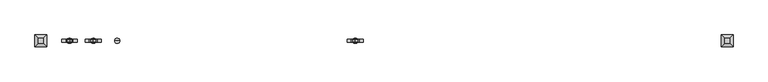
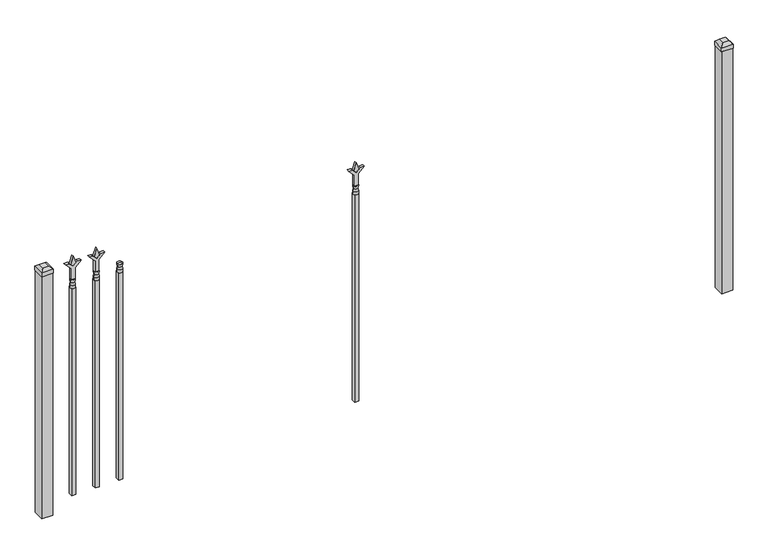
"""IFC4 building model written with IfcOpenShell, lengths in millimetres: railing geometry."""

from ifc_helpers import new_model, si_unit, frame, origin, origin_with_axes, place, context, project, spatial, polyline, circle_curve, outline, extrude, faceted_brep, source, transform, mapped, element, save
from ifc_brep_helpers import plane_surface, cylinder_surface, revolved_surface, advanced_brep


def railing_28ed9d92(model_context):
    return source(origin(), model_context, "Body", "SolidModel", [
        advanced_brep(
        [(-79271.1035036, -6731.2570174, 1079.5), (-79294.9160036, -6731.2570174, 1079.5), (-79294.9160036, -6731.2570174, 1066.8), (-79271.1035036, -6731.2570174, 1066.8), (-79273.3088355, -6731.2570174, 1092.0070585), (-79292.7106718, -6731.2570174, 1092.0070585), (-79271.1035036, -6731.2570174, 1108.075), (-79294.9160036, -6731.2570174, 1108.075), (-79283.0097536, -6731.2570174, 1108.075), (-79283.0097536, -6731.2570174, 1066.8)],
        [
            (0, 1, circle_curve(frame((-79283.0097536, -6731.2570174, 1079.5), z_axis=(0.0, 0.0, -1.0), x_axis=(-1.0, 0.0, 0.0)), 11.90625)),
            (1, 2),
            (2, 3, circle_curve(frame((-79283.0097536, -6731.2570174, 1066.8), z_axis=(0.0, 0.0, 1.0), x_axis=(-1.0, 0.0, 0.0)), 11.90625)),
            (3, 0),
            (1, 0, circle_curve(frame((-79283.0097536, -6731.2570174, 1079.5), z_axis=(0.0, 0.0, -1.0), x_axis=(-1.0, 0.0, 0.0)), 11.90625)),
            (3, 2, circle_curve(frame((-79283.0097536, -6731.2570174, 1066.8), z_axis=(0.0, 0.0, 1.0), x_axis=(-1.0, 0.0, 0.0)), 11.90625)),
            (4, 5, circle_curve(frame((-79283.0097536, -6731.2570174, 1092.0070585), z_axis=(0.0, 0.0, -1.0), x_axis=(-1.0, 0.0, 0.0)), 9.7009181)),
            (5, 1),
            (0, 4),
            (5, 4, circle_curve(frame((-79283.0097536, -6731.2570174, 1092.0070585), z_axis=(0.0, 0.0, -1.0), x_axis=(-1.0, 0.0, 0.0)), 9.7009181)),
            (6, 7, circle_curve(frame((-79283.0097536, -6731.2570174, 1108.075), z_axis=(0.0, 0.0, -1.0), x_axis=(-1.0, 0.0, 0.0)), 11.90625)),
            (7, 5),
            (4, 6),
            (7, 6, circle_curve(frame((-79283.0097536, -6731.2570174, 1108.075), z_axis=(0.0, 0.0, -1.0), x_axis=(-1.0, 0.0, 0.0)), 11.90625)),
            (8, 7),
            (6, 8),
            (2, 9),
            (9, 3),
        ],
        [
            cylinder_surface(frame((-79283.0097536, -6731.2570174, 1066.8), z_axis=(0.0, 0.0, 1.0), x_axis=(-1.0, 0.0, 0.0)), 11.90625),
            revolved_surface(polyline([(-79294.9160036, -6731.2570174, 1079.5), (-79292.7106718, -6731.2570174, 1092.0070585)]), (-79283.0097536, -6731.2570174, 1066.8), (0.0, 0.0, 1.0)),
            revolved_surface(polyline([(-79292.7106718, -6731.2570174, 1092.0070585), (-79294.9160036, -6731.2570174, 1108.075)]), (-79283.0097536, -6731.2570174, 1066.8), (0.0, 0.0, 1.0)),
            plane_surface(frame((-79283.0097536, -6731.2570174, 1108.075), z_axis=(0.0, 0.0, 1.0), x_axis=(-1.0, 0.0, 0.0))),
            plane_surface(frame((-79283.0097536, -6731.2570174, 1066.8), z_axis=(0.0, 0.0, -1.0), x_axis=(-1.0, 0.0, 0.0))),
        ],
        [
            (0, [[1, 2, 3, 4]]),
            (0, [[5, -4, 6, -2]]),
            (1, [[7, 8, -1, 9]]),
            (1, [[10, -9, -5, -8]]),
            (2, [[11, 12, -7, 13]]),
            (2, [[14, -13, -10, -12]]),
            (3, [[15, -11, 16]]),
            (3, [[-16, -14, -15]]),
            (4, [[-3, 17, 18]]),
            (4, [[-6, -18, -17]]),
        ],
    ),
        extrude(outline(polyline([(-79292.5347536, -6721.7320174), (-79273.4847536, -6721.7320174), (-79273.4847536, -6740.7820174), (-79292.5347536, -6740.7820174), (-79292.5347536, -6721.7320174)])), frame((0.0, 0.0, 50.8), z_axis=(0.0, 0.0, 1.0), x_axis=(1.0, 0.0, 0.0)), (0.0, 0.0, 1.0), 1016.0),
        extrude(outline(polyline([(1183.48125, -79380.3764203), (1219.2, -79392.2826703), (1183.48125, -79404.1889203), (1171.575, -79392.2826703), (1183.48125, -79380.3764203)])), frame((0.0, -6736.0195174, 0.0), z_axis=(0.0, 1.0, 0.0), x_axis=(0.0, 0.0, 1.0)), (0.0, 0.0, 1.0), 9.525),
        extrude(outline(polyline([(1108.075, -79383.5514203), (1162.3457378, -79383.5514203), (1189.5355122, -79356.3616458), (1189.5355122, -79374.3221581), (1171.575, -79392.2826703), (1189.5355122, -79410.2431825), (1189.5355122, -79428.2036948), (1162.3457378, -79401.0139203), (1108.075, -79401.0139203), (1108.075, -79383.5514203)])), frame((0.0, -6737.6070174, 0.0), z_axis=(0.0, 1.0, 0.0), x_axis=(0.0, 0.0, 1.0)), (0.0, 0.0, 1.0), 12.7),
        advanced_brep(
        [(-79380.3764203, -6731.2570174, 1079.5), (-79404.1889203, -6731.2570174, 1079.5), (-79404.1889203, -6731.2570174, 1066.8), (-79380.3764203, -6731.2570174, 1066.8), (-79382.5817522, -6731.2570174, 1092.0070585), (-79401.9835884, -6731.2570174, 1092.0070585), (-79380.3764203, -6731.2570174, 1108.075), (-79404.1889203, -6731.2570174, 1108.075), (-79392.2826703, -6731.2570174, 1108.075), (-79392.2826703, -6731.2570174, 1066.8)],
        [
            (0, 1, circle_curve(frame((-79392.2826703, -6731.2570174, 1079.5), z_axis=(0.0, 0.0, -1.0), x_axis=(-1.0, 0.0, 0.0)), 11.90625)),
            (1, 2),
            (2, 3, circle_curve(frame((-79392.2826703, -6731.2570174, 1066.8), z_axis=(0.0, 0.0, 1.0), x_axis=(-1.0, 0.0, 0.0)), 11.90625)),
            (3, 0),
            (1, 0, circle_curve(frame((-79392.2826703, -6731.2570174, 1079.5), z_axis=(0.0, 0.0, -1.0), x_axis=(-1.0, 0.0, 0.0)), 11.90625)),
            (3, 2, circle_curve(frame((-79392.2826703, -6731.2570174, 1066.8), z_axis=(0.0, 0.0, 1.0), x_axis=(-1.0, 0.0, 0.0)), 11.90625)),
            (4, 5, circle_curve(frame((-79392.2826703, -6731.2570174, 1092.0070585), z_axis=(0.0, 0.0, -1.0), x_axis=(-1.0, 0.0, 0.0)), 9.7009181)),
            (5, 1),
            (0, 4),
            (5, 4, circle_curve(frame((-79392.2826703, -6731.2570174, 1092.0070585), z_axis=(0.0, 0.0, -1.0), x_axis=(-1.0, 0.0, 0.0)), 9.7009181)),
            (6, 7, circle_curve(frame((-79392.2826703, -6731.2570174, 1108.075), z_axis=(0.0, 0.0, -1.0), x_axis=(-1.0, 0.0, 0.0)), 11.90625)),
            (7, 5),
            (4, 6),
            (7, 6, circle_curve(frame((-79392.2826703, -6731.2570174, 1108.075), z_axis=(0.0, 0.0, -1.0), x_axis=(-1.0, 0.0, 0.0)), 11.90625)),
            (8, 7),
            (6, 8),
            (2, 9),
            (9, 3),
        ],
        [
            cylinder_surface(frame((-79392.2826703, -6731.2570174, 1066.8), z_axis=(0.0, 0.0, 1.0), x_axis=(-1.0, 0.0, 0.0)), 11.90625),
            revolved_surface(polyline([(-79404.1889203, -6731.2570174, 1079.5), (-79401.9835884, -6731.2570174, 1092.0070585)]), (-79392.2826703, -6731.2570174, 1066.8), (0.0, 0.0, 1.0)),
            revolved_surface(polyline([(-79401.9835884, -6731.2570174, 1092.0070585), (-79404.1889203, -6731.2570174, 1108.075)]), (-79392.2826703, -6731.2570174, 1066.8), (0.0, 0.0, 1.0)),
            plane_surface(frame((-79392.2826703, -6731.2570174, 1108.075), z_axis=(0.0, 0.0, 1.0), x_axis=(-1.0, 0.0, 0.0))),
            plane_surface(frame((-79392.2826703, -6731.2570174, 1066.8), z_axis=(0.0, 0.0, -1.0), x_axis=(-1.0, 0.0, 0.0))),
        ],
        [
            (0, [[1, 2, 3, 4]]),
            (0, [[5, -4, 6, -2]]),
            (1, [[7, 8, -1, 9]]),
            (1, [[10, -9, -5, -8]]),
            (2, [[11, 12, -7, 13]]),
            (2, [[14, -13, -10, -12]]),
            (3, [[15, -11, 16]]),
            (3, [[-16, -14, -15]]),
            (4, [[-3, 17, 18]]),
            (4, [[-6, -18, -17]]),
        ],
    ),
        extrude(outline(polyline([(-79401.8076703, -6721.7320174), (-79382.7576703, -6721.7320174), (-79382.7576703, -6740.7820174), (-79401.8076703, -6740.7820174), (-79401.8076703, -6721.7320174)])), frame((0.0, 0.0, 50.8), z_axis=(0.0, 0.0, 1.0), x_axis=(1.0, 0.0, 0.0)), (0.0, 0.0, 1.0), 1016.0),
        extrude(outline(polyline([(1183.48125, -78178.374337), (1219.2, -78190.280587), (1183.48125, -78202.186837), (1171.575, -78190.280587), (1183.48125, -78178.374337)])), frame((0.0, -6736.0195174, 0.0), z_axis=(0.0, 1.0, 0.0), x_axis=(0.0, 0.0, 1.0)), (0.0, 0.0, 1.0), 9.525),
        extrude(outline(polyline([(1108.075, -78181.549337), (1162.3457378, -78181.549337), (1189.5355122, -78154.3595625), (1189.5355122, -78172.3200747), (1171.575, -78190.280587), (1189.5355122, -78208.2410992), (1189.5355122, -78226.2016114), (1162.3457378, -78199.011837), (1108.075, -78199.011837), (1108.075, -78181.549337)])), frame((0.0, -6737.6070174, 0.0), z_axis=(0.0, 1.0, 0.0), x_axis=(0.0, 0.0, 1.0)), (0.0, 0.0, 1.0), 12.7),
        advanced_brep(
        [(-78178.374337, -6731.2570174, 1079.5), (-78202.186837, -6731.2570174, 1079.5), (-78202.186837, -6731.2570174, 1066.8), (-78178.374337, -6731.2570174, 1066.8), (-78180.5796688, -6731.2570174, 1092.0070585), (-78199.9815051, -6731.2570174, 1092.0070585), (-78178.374337, -6731.2570174, 1108.075), (-78202.186837, -6731.2570174, 1108.075), (-78190.280587, -6731.2570174, 1108.075), (-78190.280587, -6731.2570174, 1066.8)],
        [
            (0, 1, circle_curve(frame((-78190.280587, -6731.2570174, 1079.5), z_axis=(0.0, 0.0, -1.0), x_axis=(-1.0, 0.0, 0.0)), 11.90625)),
            (1, 2),
            (2, 3, circle_curve(frame((-78190.280587, -6731.2570174, 1066.8), z_axis=(0.0, 0.0, 1.0), x_axis=(-1.0, 0.0, 0.0)), 11.90625)),
            (3, 0),
            (1, 0, circle_curve(frame((-78190.280587, -6731.2570174, 1079.5), z_axis=(0.0, 0.0, -1.0), x_axis=(-1.0, 0.0, 0.0)), 11.90625)),
            (3, 2, circle_curve(frame((-78190.280587, -6731.2570174, 1066.8), z_axis=(0.0, 0.0, 1.0), x_axis=(-1.0, 0.0, 0.0)), 11.90625)),
            (4, 5, circle_curve(frame((-78190.280587, -6731.2570174, 1092.0070585), z_axis=(0.0, 0.0, -1.0), x_axis=(-1.0, 0.0, 0.0)), 9.7009181)),
            (5, 1),
            (0, 4),
            (5, 4, circle_curve(frame((-78190.280587, -6731.2570174, 1092.0070585), z_axis=(0.0, 0.0, -1.0), x_axis=(-1.0, 0.0, 0.0)), 9.7009181)),
            (6, 7, circle_curve(frame((-78190.280587, -6731.2570174, 1108.075), z_axis=(0.0, 0.0, -1.0), x_axis=(-1.0, 0.0, 0.0)), 11.90625)),
            (7, 5),
            (4, 6),
            (7, 6, circle_curve(frame((-78190.280587, -6731.2570174, 1108.075), z_axis=(0.0, 0.0, -1.0), x_axis=(-1.0, 0.0, 0.0)), 11.90625)),
            (8, 7),
            (6, 8),
            (2, 9),
            (9, 3),
        ],
        [
            cylinder_surface(frame((-78190.280587, -6731.2570174, 1066.8), z_axis=(0.0, 0.0, 1.0), x_axis=(-1.0, 0.0, 0.0)), 11.90625),
            revolved_surface(polyline([(-78202.186837, -6731.2570174, 1079.5), (-78199.9815051, -6731.2570174, 1092.0070585)]), (-78190.280587, -6731.2570174, 1066.8), (0.0, 0.0, 1.0)),
            revolved_surface(polyline([(-78199.9815051, -6731.2570174, 1092.0070585), (-78202.186837, -6731.2570174, 1108.075)]), (-78190.280587, -6731.2570174, 1066.8), (0.0, 0.0, 1.0)),
            plane_surface(frame((-78190.280587, -6731.2570174, 1108.075), z_axis=(0.0, 0.0, 1.0), x_axis=(-1.0, 0.0, 0.0))),
            plane_surface(frame((-78190.280587, -6731.2570174, 1066.8), z_axis=(0.0, 0.0, -1.0), x_axis=(-1.0, 0.0, 0.0))),
        ],
        [
            (0, [[1, 2, 3, 4]]),
            (0, [[5, -4, 6, -2]]),
            (1, [[7, 8, -1, 9]]),
            (1, [[10, -9, -5, -8]]),
            (2, [[11, 12, -7, 13]]),
            (2, [[14, -13, -10, -12]]),
            (3, [[15, -11, 16]]),
            (3, [[-16, -14, -15]]),
            (4, [[-3, 17, 18]]),
            (4, [[-6, -18, -17]]),
        ],
    ),
        extrude(outline(polyline([(-78199.805587, -6721.7320174), (-78180.755587, -6721.7320174), (-78180.755587, -6740.7820174), (-78199.805587, -6740.7820174), (-78199.805587, -6721.7320174)])), frame((0.0, 0.0, 50.8), z_axis=(0.0, 0.0, 1.0), x_axis=(1.0, 0.0, 0.0)), (0.0, 0.0, 1.0), 1016.0),
        extrude(outline(polyline([(1183.48125, -79489.649337), (1219.2, -79501.555587), (1183.48125, -79513.461837), (1171.575, -79501.555587), (1183.48125, -79489.649337)])), frame((0.0, -6736.0195174, 0.0), z_axis=(0.0, 1.0, 0.0), x_axis=(0.0, 0.0, 1.0)), (0.0, 0.0, 1.0), 9.525),
        extrude(outline(polyline([(1108.075, -79492.824337), (1162.3457378, -79492.824337), (1189.5355122, -79465.6345625), (1189.5355122, -79483.5950747), (1171.575, -79501.555587), (1189.5355122, -79519.5160992), (1189.5355122, -79537.4766114), (1162.3457378, -79510.286837), (1108.075, -79510.286837), (1108.075, -79492.824337)])), frame((0.0, -6737.6070174, 0.0), z_axis=(0.0, 1.0, 0.0), x_axis=(0.0, 0.0, 1.0)), (0.0, 0.0, 1.0), 12.7),
        advanced_brep(
        [(-79489.649337, -6731.2570174, 1079.5), (-79513.461837, -6731.2570174, 1079.5), (-79513.461837, -6731.2570174, 1066.8), (-79489.649337, -6731.2570174, 1066.8), (-79491.8546688, -6731.2570174, 1092.0070585), (-79511.2565051, -6731.2570174, 1092.0070585), (-79489.649337, -6731.2570174, 1108.075), (-79513.461837, -6731.2570174, 1108.075), (-79501.555587, -6731.2570174, 1108.075), (-79501.555587, -6731.2570174, 1066.8)],
        [
            (0, 1, circle_curve(frame((-79501.555587, -6731.2570174, 1079.5), z_axis=(0.0, 0.0, -1.0), x_axis=(-1.0, 0.0, 0.0)), 11.90625)),
            (1, 2),
            (2, 3, circle_curve(frame((-79501.555587, -6731.2570174, 1066.8), z_axis=(0.0, 0.0, 1.0), x_axis=(-1.0, 0.0, 0.0)), 11.90625)),
            (3, 0),
            (1, 0, circle_curve(frame((-79501.555587, -6731.2570174, 1079.5), z_axis=(0.0, 0.0, -1.0), x_axis=(-1.0, 0.0, 0.0)), 11.90625)),
            (3, 2, circle_curve(frame((-79501.555587, -6731.2570174, 1066.8), z_axis=(0.0, 0.0, 1.0), x_axis=(-1.0, 0.0, 0.0)), 11.90625)),
            (4, 5, circle_curve(frame((-79501.555587, -6731.2570174, 1092.0070585), z_axis=(0.0, 0.0, -1.0), x_axis=(-1.0, 0.0, 0.0)), 9.7009181)),
            (5, 1),
            (0, 4),
            (5, 4, circle_curve(frame((-79501.555587, -6731.2570174, 1092.0070585), z_axis=(0.0, 0.0, -1.0), x_axis=(-1.0, 0.0, 0.0)), 9.7009181)),
            (6, 7, circle_curve(frame((-79501.555587, -6731.2570174, 1108.075), z_axis=(0.0, 0.0, -1.0), x_axis=(-1.0, 0.0, 0.0)), 11.90625)),
            (7, 5),
            (4, 6),
            (7, 6, circle_curve(frame((-79501.555587, -6731.2570174, 1108.075), z_axis=(0.0, 0.0, -1.0), x_axis=(-1.0, 0.0, 0.0)), 11.90625)),
            (8, 7),
            (6, 8),
            (2, 9),
            (9, 3),
        ],
        [
            cylinder_surface(frame((-79501.555587, -6731.2570174, 1066.8), z_axis=(0.0, 0.0, 1.0), x_axis=(-1.0, 0.0, 0.0)), 11.90625),
            revolved_surface(polyline([(-79513.461837, -6731.2570174, 1079.5), (-79511.2565051, -6731.2570174, 1092.0070585)]), (-79501.555587, -6731.2570174, 1066.8), (0.0, 0.0, 1.0)),
            revolved_surface(polyline([(-79511.2565051, -6731.2570174, 1092.0070585), (-79513.461837, -6731.2570174, 1108.075)]), (-79501.555587, -6731.2570174, 1066.8), (0.0, 0.0, 1.0)),
            plane_surface(frame((-79501.555587, -6731.2570174, 1108.075), z_axis=(0.0, 0.0, 1.0), x_axis=(-1.0, 0.0, 0.0))),
            plane_surface(frame((-79501.555587, -6731.2570174, 1066.8), z_axis=(0.0, 0.0, -1.0), x_axis=(-1.0, 0.0, 0.0))),
        ],
        [
            (0, [[1, 2, 3, 4]]),
            (0, [[5, -4, 6, -2]]),
            (1, [[7, 8, -1, 9]]),
            (1, [[10, -9, -5, -8]]),
            (2, [[11, 12, -7, 13]]),
            (2, [[14, -13, -10, -12]]),
            (3, [[15, -11, 16]]),
            (3, [[-16, -14, -15]]),
            (4, [[-3, 17, 18]]),
            (4, [[-6, -18, -17]]),
        ],
    ),
        extrude(outline(polyline([(-79511.080587, -6721.7320174), (-79492.030587, -6721.7320174), (-79492.030587, -6740.7820174), (-79511.080587, -6740.7820174), (-79511.080587, -6721.7320174)])), frame((0.0, 0.0, 50.8), z_axis=(0.0, 0.0, 1.0), x_axis=(1.0, 0.0, 0.0)), (0.0, 0.0, 1.0), 1016.0),
        extrude(outline(polyline([(-76458.318087, -6705.8570174), (-76458.318087, -6756.6570174), (-76509.118087, -6756.6570174), (-76509.118087, -6705.8570174), (-76458.318087, -6705.8570174)])), origin_with_axes(), (0.0, 0.0, 1.0), 1187.45),
        faceted_brep([(-76510.705587, -6704.2695174, 1206.5), (-76510.705587, -6704.2695174, 1187.45), (-76510.705587, -6758.2445174, 1187.45), (-76510.705587, -6758.2445174, 1206.5), (-76498.005587, -6716.9695174, 1219.2), (-76498.005587, -6745.5445174, 1219.2), (-76456.730587, -6758.2445174, 1187.45), (-76456.730587, -6758.2445174, 1206.5), (-76469.430587, -6745.5445174, 1219.2), (-76456.730587, -6704.2695174, 1187.45), (-76456.730587, -6704.2695174, 1206.5), (-76469.430587, -6716.9695174, 1219.2)], [[[0, 1, 2, 3]], [[4, 0, 3, 5]], [[3, 2, 6, 7]], [[5, 3, 7, 8]], [[7, 6, 9, 10]], [[8, 7, 10, 11]], [[10, 9, 1, 0]], [[11, 10, 0, 4]], [[5, 8, 11, 4]], [[1, 9, 6, 2]]]),
        extrude(outline(polyline([(-79607.918087, -6705.8570174), (-79607.918087, -6756.6570174), (-79658.718087, -6756.6570174), (-79658.718087, -6705.8570174), (-79607.918087, -6705.8570174)])), origin_with_axes(), (0.0, 0.0, 1.0), 1187.45),
        faceted_brep([(-79660.305587, -6704.2695174, 1206.5), (-79660.305587, -6704.2695174, 1187.45), (-79660.305587, -6758.2445174, 1187.45), (-79660.305587, -6758.2445174, 1206.5), (-79647.605587, -6716.9695174, 1219.2), (-79647.605587, -6745.5445174, 1219.2), (-79606.330587, -6758.2445174, 1187.45), (-79606.330587, -6758.2445174, 1206.5), (-79619.030587, -6745.5445174, 1219.2), (-79606.330587, -6704.2695174, 1187.45), (-79606.330587, -6704.2695174, 1206.5), (-79619.030587, -6716.9695174, 1219.2)], [[[0, 1, 2, 3]], [[4, 0, 3, 5]], [[3, 2, 6, 7]], [[5, 3, 7, 8]], [[7, 6, 9, 10]], [[8, 7, 10, 11]], [[10, 9, 1, 0]], [[11, 10, 0, 4]], [[5, 8, 11, 4]], [[1, 9, 6, 2]]]),
    ])


if __name__ == "__main__":
    model = new_model("IFC4")
    model_context = context("Model", 3, world=origin())
    ifc_project = project(units=[si_unit("LENGTHUNIT", "METRE", prefix="MILLI")], contexts=[model_context])
    site = spatial("IfcSite", under=ifc_project)
    building = spatial("IfcBuilding", under=site)
    placement = place(None, origin())
    railing_shape = railing_28ed9d92(model_context)
    element("IfcRailing", 1, at=placement, inside=building, context=model_context, shape_type="MappedRepresentation", body=[
        mapped(railing_shape, transform((0.0, 0.0, 0.0), x_axis=(1.0, 0.0, 0.0), y_axis=(0.0, 1.0, 0.0), z_axis=(0.0, 0.0, 1.0))),
    ])
    save(model, "model.ifc")
